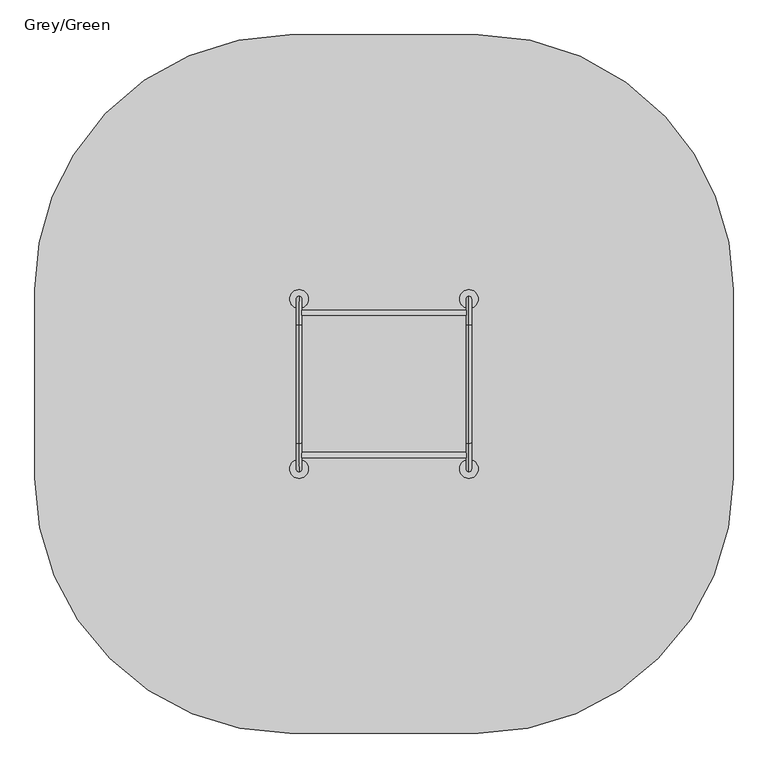
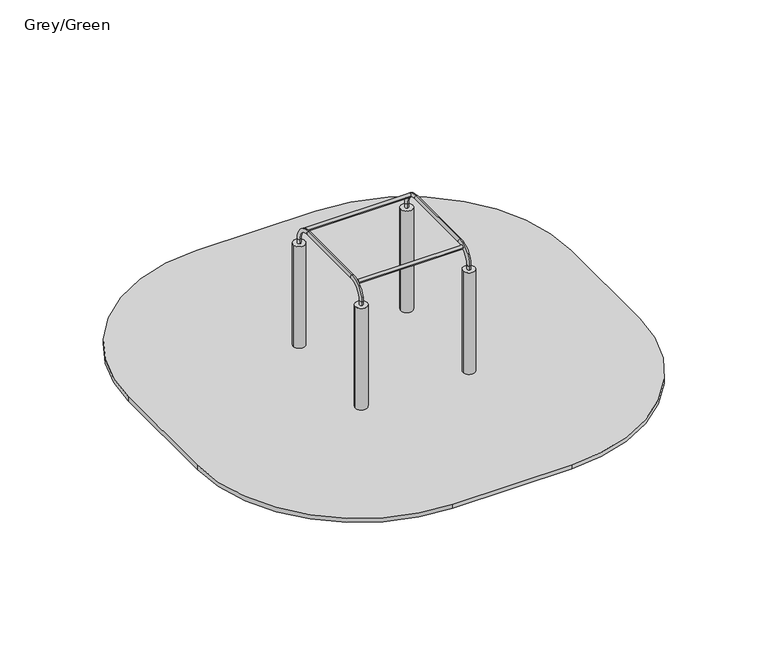
"""IFC4 building model written with IfcOpenShell, lengths in millimetres: furniture geometry, Grey/Green."""

from ifc_helpers import new_model, si_unit, point, frame, frame_2d, origin, place, context, project, spatial, polyline, circle_curve, ellipse_curve, trimmed, segment, composite_curve, outline, extrude, source, transform, mapped, element, save
from ifc_brep_helpers import plane_surface, cylinder_surface, revolved_surface, extruded_surface, advanced_brep


def grey_green_c5ca14d6(model_context):
    return source(origin(), model_context, "Body", "SolidModel", [
        advanced_brep(
        [(-427.5, 1072.4599432, -224.0), (-440.0, 1072.4599432, -224.0), (-452.5, 1072.4599432, -224.0), (-512.5, 1012.4599432, -224.0), (-512.5, 987.4599432, -224.0), (-452.5, 927.4599432, -224.0), (-427.5, 927.4599432, -224.0), (-367.5, 987.4599432, -224.0), (-367.5, 1012.4599432, -224.0), (-350.0, 1150.0, -459.0), (-440.0, 1150.0, -459.0), (-530.0, 1150.0, -459.0), (-590.0, 1090.0, -459.0), (-590.0, 910.0, -459.0), (-530.0, 850.0, -459.0), (-350.0, 850.0, -459.0), (-290.0, 910.0, -459.0), (-290.0, 1090.0, -459.0), (-350.0, 1150.0, -599.0), (-290.0, 1090.0, -599.0), (-290.0, 910.0, -599.0), (-350.0, 850.0, -599.0), (-530.0, 850.0, -599.0), (-590.0, 910.0, -599.0), (-590.0, 1090.0, -599.0), (-530.0, 1150.0, -599.0), (-440.0, 1150.0, -599.0)],
        [
            (0, 1),
            (1, 2),
            (2, 3, circle_curve(frame((-452.5, 1012.4599432, -224.0), z_axis=(0.0, 0.0, 1.0), x_axis=(1.0, 0.0, 0.0)), 60.0)),
            (3, 4),
            (4, 5, circle_curve(frame((-452.5, 987.4599432, -224.0), z_axis=(0.0, 0.0, 1.0), x_axis=(1.0, 0.0, 0.0)), 60.0)),
            (5, 6),
            (6, 7, circle_curve(frame((-427.5, 987.4599432, -224.0), z_axis=(0.0, 0.0, 1.0), x_axis=(1.0, 0.0, 0.0)), 60.0)),
            (7, 8),
            (8, 0, circle_curve(frame((-427.5, 1012.4599432, -224.0), z_axis=(0.0, 0.0, 1.0), x_axis=(1.0, 0.0, 0.0)), 60.0)),
            (0, 9),
            (9, 10),
            (10, 1),
            (10, 11),
            (11, 2),
            (11, 12, circle_curve(frame((-530.0, 1090.0, -459.0), z_axis=(0.0, 0.0, 1.0), x_axis=(1.0, 0.0, 0.0)), 60.0)),
            (12, 3),
            (12, 13),
            (13, 4),
            (13, 14, circle_curve(frame((-530.0, 910.0, -459.0), z_axis=(0.0, 0.0, 1.0), x_axis=(1.0, 0.0, 0.0)), 60.0)),
            (14, 5),
            (14, 15),
            (15, 6),
            (15, 16, circle_curve(frame((-350.0, 910.0, -459.0), z_axis=(0.0, 0.0, 1.0), x_axis=(1.0, 0.0, 0.0)), 60.0)),
            (16, 7),
            (16, 17),
            (17, 8),
            (17, 9, circle_curve(frame((-350.0, 1090.0, -459.0), z_axis=(0.0, 0.0, 1.0), x_axis=(1.0, 0.0, 0.0)), 60.0)),
            (18, 19, circle_curve(frame((-350.0, 1090.0, -599.0), z_axis=(0.0, 0.0, -1.0), x_axis=(1.0, 0.0, 0.0)), 60.0)),
            (19, 20),
            (20, 21, circle_curve(frame((-350.0, 910.0, -599.0), z_axis=(0.0, 0.0, -1.0), x_axis=(1.0, 0.0, 0.0)), 60.0)),
            (21, 22),
            (22, 23, circle_curve(frame((-530.0, 910.0, -599.0), z_axis=(0.0, 0.0, -1.0), x_axis=(1.0, 0.0, 0.0)), 60.0)),
            (23, 24),
            (24, 25, circle_curve(frame((-530.0, 1090.0, -599.0), z_axis=(0.0, 0.0, -1.0), x_axis=(1.0, 0.0, 0.0)), 60.0)),
            (25, 26),
            (26, 18),
            (26, 10),
            (9, 18),
            (25, 11),
            (23, 13),
            (12, 24),
            (21, 15),
            (14, 22),
            (19, 17),
            (16, 20),
        ],
        [
            plane_surface(frame((-440.0, 1008.0154988, -224.0), z_axis=(0.0, 0.0, 1.0), x_axis=(-1.0, 0.0, 0.0))),
            plane_surface(frame((-433.75, 1072.4599432, -224.0), z_axis=(0.0, 0.9496406059136844, 0.3133412191204512), x_axis=(1.0, 0.0, 0.0))),
            plane_surface(frame((-446.25, 1072.4599432, -224.0), z_axis=(0.0, 0.9496406059136843, 0.3133412191204512), x_axis=(1.0, 0.0, 0.0))),
            extruded_surface(trimmed(circle_curve(frame((-452.5, 1012.4599432, -224.0), z_axis=(0.0, 0.0, -1.0), x_axis=(1.0, 0.0, 0.0)), 60.0), [point((-512.5, 1012.4599432, -224.0))], [point((-452.5, 1072.4599432, -224.0))], True, "CARTESIAN"), (-77.5, 77.5400568, -235.0), 259.3139225119763),
            plane_surface(frame((-512.5, 999.9599432, -224.0), z_axis=(-0.9496887635303409, 0.0, 0.31319523052596476), x_axis=(0.0, 1.0, 0.0))),
            extruded_surface(trimmed(circle_curve(frame((-452.5, 987.4599432, -224.0), z_axis=(0.0, 0.0, -1.0), x_axis=(1.0, 0.0, 0.0)), 60.0), [point((-452.5, 927.4599432, -224.0))], [point((-512.5, 987.4599432, -224.0))], True, "CARTESIAN"), (-77.5, -77.4599432, -235.0), 259.2899782107809),
            plane_surface(frame((-440.0, 927.4599432, -224.0), z_axis=(0.0, -0.9497369035840961, 0.3130492197250991), x_axis=(-1.0, 0.0, 0.0))),
            extruded_surface(trimmed(circle_curve(frame((-427.5, 987.4599432, -224.0), z_axis=(0.0, 0.0, -1.0), x_axis=(1.0, 0.0, 0.0)), 60.0), [point((-367.5, 987.4599432, -224.0))], [point((-427.5, 927.4599432, -224.0))], True, "CARTESIAN"), (77.5, -77.4599432, -235.0), 259.2899782107809),
            plane_surface(frame((-367.5, 999.9599432, -224.0), z_axis=(0.9496887635303416, 0.0, 0.3131952305259627), x_axis=(0.0, -1.0, 0.0))),
            extruded_surface(trimmed(circle_curve(frame((-427.5, 1012.4599432, -224.0), z_axis=(0.0, 0.0, -1.0), x_axis=(1.0, 0.0, 0.0)), 60.0), [point((-427.5, 1072.4599432, -224.0))], [point((-367.5, 1012.4599432, -224.0))], True, "CARTESIAN"), (77.5, 77.5400568, -235.0), 259.3139225119763),
            plane_surface(frame((-440.0, 1150.0, -599.0), z_axis=(0.0, 0.0, -1.0), x_axis=(1.0, 0.0, 0.0))),
            plane_surface(frame((-350.0, 1150.0, -459.0), z_axis=(0.0, 1.0, 0.0), x_axis=(0.0, 0.0, -1.0))),
            plane_surface(frame((-440.0, 1150.0, -459.0), z_axis=(0.0, 1.0, 0.0), x_axis=(0.0, 0.0, -1.0))),
            plane_surface(frame((-590.0, 1090.0, -459.0), z_axis=(-1.0, 0.0, 0.0), x_axis=(0.0, 0.0, -1.0))),
            plane_surface(frame((-530.0, 850.0, -459.0), z_axis=(0.0, -1.0, 0.0), x_axis=(0.0, 0.0, -1.0))),
            plane_surface(frame((-290.0, 910.0, -459.0), z_axis=(1.0, 0.0, 0.0), x_axis=(0.0, 0.0, -1.0))),
            cylinder_surface(frame((-530.0, 1090.0, -599.0), z_axis=(0.0, 0.0, 1.0), x_axis=(1.0, 0.0, 0.0)), 60.0),
            cylinder_surface(frame((-530.0, 910.0, -599.0), z_axis=(0.0, 0.0, 1.0), x_axis=(1.0, 0.0, 0.0)), 60.0),
            cylinder_surface(frame((-350.0, 910.0, -599.0), z_axis=(0.0, 0.0, 1.0), x_axis=(1.0, 0.0, 0.0)), 60.0),
            cylinder_surface(frame((-350.0, 1090.0, -599.0), z_axis=(0.0, 0.0, 1.0), x_axis=(1.0, 0.0, 0.0)), 60.0),
        ],
        [
            (0, [[1, 2, 3, 4, 5, 6, 7, 8, 9]]),
            (1, [[-1, 10, 11, 12]]),
            (2, [[-2, -12, 13, 14]]),
            (3, [[-3, -14, 15, 16]]),
            (4, [[-4, -16, 17, 18]]),
            (5, [[-5, -18, 19, 20]]),
            (6, [[-6, -20, 21, 22]]),
            (7, [[-7, -22, 23, 24]]),
            (8, [[-8, -24, 25, 26]]),
            (9, [[-9, -26, 27, -10]]),
            (10, [[28, 29, 30, 31, 32, 33, 34, 35, 36]]),
            (11, [[-36, 37, -11, 38]]),
            (12, [[-35, 39, -13, -37]]),
            (13, [[-33, 40, -17, 41]]),
            (14, [[-31, 42, -21, 43]]),
            (15, [[-29, 44, -25, 45]]),
            (16, [[-34, -41, -15, -39]]),
            (17, [[-32, -43, -19, -40]]),
            (18, [[-30, -45, -23, -42]]),
            (19, [[-28, -38, -27, -44]]),
        ],
    ),
        extrude(outline(composite_curve([segment(trimmed(circle_curve(frame_2d((-440.0, 1000.0)), 55.0), [point((-495.0, 1000.0))], [point((-385.0, 1000.0))], False, "CARTESIAN"), True, "CONTINUOUS"), segment(trimmed(circle_curve(frame_2d((-440.0, 1000.0)), 55.0), [point((-385.0, 1000.0))], [point((-495.0, 1000.0))], False, "CARTESIAN"), True, "CONTINUOUS")], self_intersect=False)), frame((0.0, 0.0, -599.0), z_axis=(0.0, 0.0, 1.0), x_axis=(1.0, 0.0, 0.0)), (0.0, 0.0, 1.0), 500.0),
        advanced_brep(
        [(572.5, 1072.4599432, -224.0), (560.0, 1072.4599432, -224.0), (547.5, 1072.4599432, -224.0), (487.5, 1012.4599432, -224.0), (487.5, 987.4599432, -224.0), (547.5, 927.4599432, -224.0), (572.5, 927.4599432, -224.0), (632.5, 987.4599432, -224.0), (632.5, 1012.4599432, -224.0), (650.0, 1150.0, -459.0), (560.0, 1150.0, -459.0), (470.0, 1150.0, -459.0), (410.0, 1090.0, -459.0), (410.0, 910.0, -459.0), (470.0, 850.0, -459.0), (650.0, 850.0, -459.0), (710.0, 910.0, -459.0), (710.0, 1090.0, -459.0), (650.0, 1150.0, -599.0), (710.0, 1090.0, -599.0), (710.0, 910.0, -599.0), (650.0, 850.0, -599.0), (470.0, 850.0, -599.0), (410.0, 910.0, -599.0), (410.0, 1090.0, -599.0), (470.0, 1150.0, -599.0), (560.0, 1150.0, -599.0)],
        [
            (0, 1),
            (1, 2),
            (2, 3, circle_curve(frame((547.5, 1012.4599432, -224.0), z_axis=(0.0, 0.0, 1.0), x_axis=(1.0, 0.0, 0.0)), 60.0)),
            (3, 4),
            (4, 5, circle_curve(frame((547.5, 987.4599432, -224.0), z_axis=(0.0, 0.0, 1.0), x_axis=(1.0, 0.0, 0.0)), 60.0)),
            (5, 6),
            (6, 7, circle_curve(frame((572.5, 987.4599432, -224.0), z_axis=(0.0, 0.0, 1.0), x_axis=(1.0, 0.0, 0.0)), 60.0)),
            (7, 8),
            (8, 0, circle_curve(frame((572.5, 1012.4599432, -224.0), z_axis=(0.0, 0.0, 1.0), x_axis=(1.0, 0.0, 0.0)), 60.0)),
            (0, 9),
            (9, 10),
            (10, 1),
            (10, 11),
            (11, 2),
            (11, 12, circle_curve(frame((470.0, 1090.0, -459.0), z_axis=(0.0, 0.0, 1.0), x_axis=(1.0, 0.0, 0.0)), 60.0)),
            (12, 3),
            (12, 13),
            (13, 4),
            (13, 14, circle_curve(frame((470.0, 910.0, -459.0), z_axis=(0.0, 0.0, 1.0), x_axis=(1.0, 0.0, 0.0)), 60.0)),
            (14, 5),
            (14, 15),
            (15, 6),
            (15, 16, circle_curve(frame((650.0, 910.0, -459.0), z_axis=(0.0, 0.0, 1.0), x_axis=(1.0, 0.0, 0.0)), 60.0)),
            (16, 7),
            (16, 17),
            (17, 8),
            (17, 9, circle_curve(frame((650.0, 1090.0, -459.0), z_axis=(0.0, 0.0, 1.0), x_axis=(1.0, 0.0, 0.0)), 60.0)),
            (18, 19, circle_curve(frame((650.0, 1090.0, -599.0), z_axis=(0.0, 0.0, -1.0), x_axis=(1.0, 0.0, 0.0)), 60.0)),
            (19, 20),
            (20, 21, circle_curve(frame((650.0, 910.0, -599.0), z_axis=(0.0, 0.0, -1.0), x_axis=(1.0, 0.0, 0.0)), 60.0)),
            (21, 22),
            (22, 23, circle_curve(frame((470.0, 910.0, -599.0), z_axis=(0.0, 0.0, -1.0), x_axis=(1.0, 0.0, 0.0)), 60.0)),
            (23, 24),
            (24, 25, circle_curve(frame((470.0, 1090.0, -599.0), z_axis=(0.0, 0.0, -1.0), x_axis=(1.0, 0.0, 0.0)), 60.0)),
            (25, 26),
            (26, 18),
            (26, 10),
            (9, 18),
            (25, 11),
            (23, 13),
            (12, 24),
            (21, 15),
            (14, 22),
            (19, 17),
            (16, 20),
        ],
        [
            plane_surface(frame((560.0, 1008.0154988, -224.0), z_axis=(0.0, 0.0, 1.0), x_axis=(-1.0, 0.0, 0.0))),
            plane_surface(frame((566.25, 1072.4599432, -224.0), z_axis=(0.0, 0.9496406059136844, 0.3133412191204512), x_axis=(1.0, 0.0, 0.0))),
            plane_surface(frame((553.75, 1072.4599432, -224.0), z_axis=(0.0, 0.9496406059136843, 0.3133412191204512), x_axis=(1.0, 0.0, 0.0))),
            extruded_surface(trimmed(circle_curve(frame((547.5, 1012.4599432, -224.0), z_axis=(0.0, 0.0, -1.0), x_axis=(1.0, 0.0, 0.0)), 60.0), [point((487.5, 1012.4599432, -224.0))], [point((547.5, 1072.4599432, -224.0))], True, "CARTESIAN"), (-77.5, 77.5400568, -235.0), 259.3139225119763),
            plane_surface(frame((487.5, 999.9599432, -224.0), z_axis=(-0.9496887635303409, 0.0, 0.31319523052596476), x_axis=(0.0, 1.0, 0.0))),
            extruded_surface(trimmed(circle_curve(frame((547.5, 987.4599432, -224.0), z_axis=(0.0, 0.0, -1.0), x_axis=(1.0, 0.0, 0.0)), 60.0), [point((547.5, 927.4599432, -224.0))], [point((487.5, 987.4599432, -224.0))], True, "CARTESIAN"), (-77.5, -77.4599432, -235.0), 259.2899782107809),
            plane_surface(frame((560.0, 927.4599432, -224.0), z_axis=(0.0, -0.9497369035840961, 0.3130492197250991), x_axis=(-1.0, 0.0, 0.0))),
            extruded_surface(trimmed(circle_curve(frame((572.5, 987.4599432, -224.0), z_axis=(0.0, 0.0, -1.0), x_axis=(1.0, 0.0, 0.0)), 60.0), [point((632.5, 987.4599432, -224.0))], [point((572.5, 927.4599432, -224.0))], True, "CARTESIAN"), (77.5, -77.4599432, -235.0), 259.2899782107809),
            plane_surface(frame((632.5, 999.9599432, -224.0), z_axis=(0.9496887635303416, 0.0, 0.3131952305259627), x_axis=(0.0, -1.0, 0.0))),
            extruded_surface(trimmed(circle_curve(frame((572.5, 1012.4599432, -224.0), z_axis=(0.0, 0.0, -1.0), x_axis=(1.0, 0.0, 0.0)), 60.0), [point((572.5, 1072.4599432, -224.0))], [point((632.5, 1012.4599432, -224.0))], True, "CARTESIAN"), (77.5, 77.5400568, -235.0), 259.3139225119763),
            plane_surface(frame((560.0, 1150.0, -599.0), z_axis=(0.0, 0.0, -1.0), x_axis=(1.0, 0.0, 0.0))),
            plane_surface(frame((650.0, 1150.0, -459.0), z_axis=(0.0, 1.0, 0.0), x_axis=(0.0, 0.0, -1.0))),
            plane_surface(frame((560.0, 1150.0, -459.0), z_axis=(0.0, 1.0, 0.0), x_axis=(0.0, 0.0, -1.0))),
            plane_surface(frame((410.0, 1090.0, -459.0), z_axis=(-1.0, 0.0, 0.0), x_axis=(0.0, 0.0, -1.0))),
            plane_surface(frame((470.0, 850.0, -459.0), z_axis=(0.0, -1.0, 0.0), x_axis=(0.0, 0.0, -1.0))),
            plane_surface(frame((710.0, 910.0, -459.0), z_axis=(1.0, 0.0, 0.0), x_axis=(0.0, 0.0, -1.0))),
            cylinder_surface(frame((470.0, 1090.0, -599.0), z_axis=(0.0, 0.0, 1.0), x_axis=(1.0, 0.0, 0.0)), 60.0),
            cylinder_surface(frame((470.0, 910.0, -599.0), z_axis=(0.0, 0.0, 1.0), x_axis=(1.0, 0.0, 0.0)), 60.0),
            cylinder_surface(frame((650.0, 910.0, -599.0), z_axis=(0.0, 0.0, 1.0), x_axis=(1.0, 0.0, 0.0)), 60.0),
            cylinder_surface(frame((650.0, 1090.0, -599.0), z_axis=(0.0, 0.0, 1.0), x_axis=(1.0, 0.0, 0.0)), 60.0),
        ],
        [
            (0, [[1, 2, 3, 4, 5, 6, 7, 8, 9]]),
            (1, [[-1, 10, 11, 12]]),
            (2, [[-2, -12, 13, 14]]),
            (3, [[-3, -14, 15, 16]]),
            (4, [[-4, -16, 17, 18]]),
            (5, [[-5, -18, 19, 20]]),
            (6, [[-6, -20, 21, 22]]),
            (7, [[-7, -22, 23, 24]]),
            (8, [[-8, -24, 25, 26]]),
            (9, [[-9, -26, 27, -10]]),
            (10, [[28, 29, 30, 31, 32, 33, 34, 35, 36]]),
            (11, [[-36, 37, -11, 38]]),
            (12, [[-35, 39, -13, -37]]),
            (13, [[-33, 40, -17, 41]]),
            (14, [[-31, 42, -21, 43]]),
            (15, [[-29, 44, -25, 45]]),
            (16, [[-34, -41, -15, -39]]),
            (17, [[-32, -43, -19, -40]]),
            (18, [[-30, -45, -23, -42]]),
            (19, [[-28, -38, -27, -44]]),
        ],
    ),
        extrude(outline(composite_curve([segment(trimmed(circle_curve(frame_2d((560.0, 1000.0)), 55.0), [point((505.0, 1000.0))], [point((615.0, 1000.0))], False, "CARTESIAN"), True, "CONTINUOUS"), segment(trimmed(circle_curve(frame_2d((560.0, 1000.0)), 55.0), [point((615.0, 1000.0))], [point((505.0, 1000.0))], False, "CARTESIAN"), True, "CONTINUOUS")], self_intersect=False)), frame((0.0, 0.0, -599.0), z_axis=(0.0, 0.0, 1.0), x_axis=(1.0, 0.0, 0.0)), (0.0, 0.0, 1.0), 500.0),
        advanced_brep(
        [(-427.5, 72.4599432, -224.0), (-440.0, 72.4599432, -224.0), (-452.5, 72.4599432, -224.0), (-512.5, 12.4599432, -224.0), (-512.5, -12.5400568, -224.0), (-452.5, -72.5400568, -224.0), (-427.5, -72.5400568, -224.0), (-367.5, -12.5400568, -224.0), (-367.5, 12.4599432, -224.0), (-350.0, 150.0, -459.0), (-440.0, 150.0, -459.0), (-530.0, 150.0, -459.0), (-590.0, 90.0, -459.0), (-590.0, -90.0, -459.0), (-530.0, -150.0, -459.0), (-350.0, -150.0, -459.0), (-290.0, -90.0, -459.0), (-290.0, 90.0, -459.0), (-350.0, 150.0, -599.0), (-290.0, 90.0, -599.0), (-290.0, -90.0, -599.0), (-350.0, -150.0, -599.0), (-530.0, -150.0, -599.0), (-590.0, -90.0, -599.0), (-590.0, 90.0, -599.0), (-530.0, 150.0, -599.0), (-440.0, 150.0, -599.0)],
        [
            (0, 1),
            (1, 2),
            (2, 3, circle_curve(frame((-452.5, 12.4599432, -224.0), z_axis=(0.0, 0.0, 1.0), x_axis=(1.0, 0.0, 0.0)), 60.0)),
            (3, 4),
            (4, 5, circle_curve(frame((-452.5, -12.5400568, -224.0), z_axis=(0.0, 0.0, 1.0), x_axis=(1.0, 0.0, 0.0)), 60.0)),
            (5, 6),
            (6, 7, circle_curve(frame((-427.5, -12.5400568, -224.0), z_axis=(0.0, 0.0, 1.0), x_axis=(1.0, 0.0, 0.0)), 60.0)),
            (7, 8),
            (8, 0, circle_curve(frame((-427.5, 12.4599432, -224.0), z_axis=(0.0, 0.0, 1.0), x_axis=(1.0, 0.0, 0.0)), 60.0)),
            (0, 9),
            (9, 10),
            (10, 1),
            (10, 11),
            (11, 2),
            (11, 12, circle_curve(frame((-530.0, 90.0, -459.0), z_axis=(0.0, 0.0, 1.0), x_axis=(1.0, 0.0, 0.0)), 60.0)),
            (12, 3),
            (12, 13),
            (13, 4),
            (13, 14, circle_curve(frame((-530.0, -90.0, -459.0), z_axis=(0.0, 0.0, 1.0), x_axis=(1.0, 0.0, 0.0)), 60.0)),
            (14, 5),
            (14, 15),
            (15, 6),
            (15, 16, circle_curve(frame((-350.0, -90.0, -459.0), z_axis=(0.0, 0.0, 1.0), x_axis=(1.0, 0.0, 0.0)), 60.0)),
            (16, 7),
            (16, 17),
            (17, 8),
            (17, 9, circle_curve(frame((-350.0, 90.0, -459.0), z_axis=(0.0, 0.0, 1.0), x_axis=(1.0, 0.0, 0.0)), 60.0)),
            (18, 19, circle_curve(frame((-350.0, 90.0, -599.0), z_axis=(0.0, 0.0, -1.0), x_axis=(1.0, 0.0, 0.0)), 60.0)),
            (19, 20),
            (20, 21, circle_curve(frame((-350.0, -90.0, -599.0), z_axis=(0.0, 0.0, -1.0), x_axis=(1.0, 0.0, 0.0)), 60.0)),
            (21, 22),
            (22, 23, circle_curve(frame((-530.0, -90.0, -599.0), z_axis=(0.0, 0.0, -1.0), x_axis=(1.0, 0.0, 0.0)), 60.0)),
            (23, 24),
            (24, 25, circle_curve(frame((-530.0, 90.0, -599.0), z_axis=(0.0, 0.0, -1.0), x_axis=(1.0, 0.0, 0.0)), 60.0)),
            (25, 26),
            (26, 18),
            (26, 10),
            (9, 18),
            (25, 11),
            (23, 13),
            (12, 24),
            (21, 15),
            (14, 22),
            (19, 17),
            (16, 20),
        ],
        [
            plane_surface(frame((-440.0, 8.0154988, -224.0), z_axis=(0.0, 0.0, 1.0), x_axis=(-1.0, 0.0, 0.0))),
            plane_surface(frame((-433.75, 72.4599432, -224.0), z_axis=(0.0, 0.9496406059136844, 0.3133412191204512), x_axis=(1.0, 0.0, 0.0))),
            plane_surface(frame((-446.25, 72.4599432, -224.0), z_axis=(0.0, 0.9496406059136843, 0.3133412191204512), x_axis=(1.0, 0.0, 0.0))),
            extruded_surface(trimmed(circle_curve(frame((-452.5, 12.4599432, -224.0), z_axis=(0.0, 0.0, -1.0), x_axis=(1.0, 0.0, 0.0)), 60.0), [point((-512.5, 12.4599432, -224.0))], [point((-452.5, 72.4599432, -224.0))], True, "CARTESIAN"), (-77.5, 77.5400568, -235.0), 259.3139225119763),
            plane_surface(frame((-512.5, -0.0400568, -224.0), z_axis=(-0.9496887635303409, 0.0, 0.31319523052596476), x_axis=(0.0, 1.0, 0.0))),
            extruded_surface(trimmed(circle_curve(frame((-452.5, -12.5400568, -224.0), z_axis=(0.0, 0.0, -1.0), x_axis=(1.0, 0.0, 0.0)), 60.0), [point((-452.5, -72.5400568, -224.0))], [point((-512.5, -12.5400568, -224.0))], True, "CARTESIAN"), (-77.5, -77.4599432, -235.0), 259.2899782107809),
            plane_surface(frame((-440.0, -72.5400568, -224.0), z_axis=(0.0, -0.9497369035840961, 0.3130492197250991), x_axis=(-1.0, 0.0, 0.0))),
            extruded_surface(trimmed(circle_curve(frame((-427.5, -12.5400568, -224.0), z_axis=(0.0, 0.0, -1.0), x_axis=(1.0, 0.0, 0.0)), 60.0), [point((-367.5, -12.5400568, -224.0))], [point((-427.5, -72.5400568, -224.0))], True, "CARTESIAN"), (77.5, -77.4599432, -235.0), 259.2899782107809),
            plane_surface(frame((-367.5, -0.0400568, -224.0), z_axis=(0.9496887635303416, 0.0, 0.3131952305259627), x_axis=(0.0, -1.0, 0.0))),
            extruded_surface(trimmed(circle_curve(frame((-427.5, 12.4599432, -224.0), z_axis=(0.0, 0.0, -1.0), x_axis=(1.0, 0.0, 0.0)), 60.0), [point((-427.5, 72.4599432, -224.0))], [point((-367.5, 12.4599432, -224.0))], True, "CARTESIAN"), (77.5, 77.5400568, -235.0), 259.3139225119763),
            plane_surface(frame((-440.0, 150.0, -599.0), z_axis=(0.0, 0.0, -1.0), x_axis=(1.0, 0.0, 0.0))),
            plane_surface(frame((-350.0, 150.0, -459.0), z_axis=(0.0, 1.0, 0.0), x_axis=(0.0, 0.0, -1.0))),
            plane_surface(frame((-440.0, 150.0, -459.0), z_axis=(0.0, 1.0, 0.0), x_axis=(0.0, 0.0, -1.0))),
            plane_surface(frame((-590.0, 90.0, -459.0), z_axis=(-1.0, 0.0, 0.0), x_axis=(0.0, 0.0, -1.0))),
            plane_surface(frame((-530.0, -150.0, -459.0), z_axis=(0.0, -1.0, 0.0), x_axis=(0.0, 0.0, -1.0))),
            plane_surface(frame((-290.0, -90.0, -459.0), z_axis=(1.0, 0.0, 0.0), x_axis=(0.0, 0.0, -1.0))),
            cylinder_surface(frame((-530.0, 90.0, -599.0), z_axis=(0.0, 0.0, 1.0), x_axis=(1.0, 0.0, 0.0)), 60.0),
            cylinder_surface(frame((-530.0, -90.0, -599.0), z_axis=(0.0, 0.0, 1.0), x_axis=(1.0, 0.0, 0.0)), 60.0),
            cylinder_surface(frame((-350.0, -90.0, -599.0), z_axis=(0.0, 0.0, 1.0), x_axis=(1.0, 0.0, 0.0)), 60.0),
            cylinder_surface(frame((-350.0, 90.0, -599.0), z_axis=(0.0, 0.0, 1.0), x_axis=(1.0, 0.0, 0.0)), 60.0),
        ],
        [
            (0, [[1, 2, 3, 4, 5, 6, 7, 8, 9]]),
            (1, [[-1, 10, 11, 12]]),
            (2, [[-2, -12, 13, 14]]),
            (3, [[-3, -14, 15, 16]]),
            (4, [[-4, -16, 17, 18]]),
            (5, [[-5, -18, 19, 20]]),
            (6, [[-6, -20, 21, 22]]),
            (7, [[-7, -22, 23, 24]]),
            (8, [[-8, -24, 25, 26]]),
            (9, [[-9, -26, 27, -10]]),
            (10, [[28, 29, 30, 31, 32, 33, 34, 35, 36]]),
            (11, [[-36, 37, -11, 38]]),
            (12, [[-35, 39, -13, -37]]),
            (13, [[-33, 40, -17, 41]]),
            (14, [[-31, 42, -21, 43]]),
            (15, [[-29, 44, -25, 45]]),
            (16, [[-34, -41, -15, -39]]),
            (17, [[-32, -43, -19, -40]]),
            (18, [[-30, -45, -23, -42]]),
            (19, [[-28, -38, -27, -44]]),
        ],
    ),
        extrude(outline(composite_curve([segment(trimmed(circle_curve(frame_2d((-440.0, 0.0)), 55.0), [point((-495.0, 0.0))], [point((-385.0, 0.0))], False, "CARTESIAN"), True, "CONTINUOUS"), segment(trimmed(circle_curve(frame_2d((-440.0, 0.0)), 55.0), [point((-385.0, 0.0))], [point((-495.0, 0.0))], False, "CARTESIAN"), True, "CONTINUOUS")], self_intersect=False)), frame((0.0, 0.0, -599.0), z_axis=(0.0, 0.0, 1.0), x_axis=(1.0, 0.0, 0.0)), (0.0, 0.0, 1.0), 500.0),
        advanced_brep(
        [(572.5, 72.4599432, -224.0), (560.0, 72.4599432, -224.0), (547.5, 72.4599432, -224.0), (487.5, 12.4599432, -224.0), (487.5, -12.5400568, -224.0), (547.5, -72.5400568, -224.0), (572.5, -72.5400568, -224.0), (632.5, -12.5400568, -224.0), (632.5, 12.4599432, -224.0), (650.0, 150.0, -459.0), (560.0, 150.0, -459.0), (470.0, 150.0, -459.0), (410.0, 90.0, -459.0), (410.0, -90.0, -459.0), (470.0, -150.0, -459.0), (650.0, -150.0, -459.0), (710.0, -90.0, -459.0), (710.0, 90.0, -459.0), (650.0, 150.0, -599.0), (710.0, 90.0, -599.0), (710.0, -90.0, -599.0), (650.0, -150.0, -599.0), (470.0, -150.0, -599.0), (410.0, -90.0, -599.0), (410.0, 90.0, -599.0), (470.0, 150.0, -599.0), (560.0, 150.0, -599.0)],
        [
            (0, 1),
            (1, 2),
            (2, 3, circle_curve(frame((547.5, 12.4599432, -224.0), z_axis=(0.0, 0.0, 1.0), x_axis=(1.0, 0.0, 0.0)), 60.0)),
            (3, 4),
            (4, 5, circle_curve(frame((547.5, -12.5400568, -224.0), z_axis=(0.0, 0.0, 1.0), x_axis=(1.0, 0.0, 0.0)), 60.0)),
            (5, 6),
            (6, 7, circle_curve(frame((572.5, -12.5400568, -224.0), z_axis=(0.0, 0.0, 1.0), x_axis=(1.0, 0.0, 0.0)), 60.0)),
            (7, 8),
            (8, 0, circle_curve(frame((572.5, 12.4599432, -224.0), z_axis=(0.0, 0.0, 1.0), x_axis=(1.0, 0.0, 0.0)), 60.0)),
            (0, 9),
            (9, 10),
            (10, 1),
            (10, 11),
            (11, 2),
            (11, 12, circle_curve(frame((470.0, 90.0, -459.0), z_axis=(0.0, 0.0, 1.0), x_axis=(1.0, 0.0, 0.0)), 60.0)),
            (12, 3),
            (12, 13),
            (13, 4),
            (13, 14, circle_curve(frame((470.0, -90.0, -459.0), z_axis=(0.0, 0.0, 1.0), x_axis=(1.0, 0.0, 0.0)), 60.0)),
            (14, 5),
            (14, 15),
            (15, 6),
            (15, 16, circle_curve(frame((650.0, -90.0, -459.0), z_axis=(0.0, 0.0, 1.0), x_axis=(1.0, 0.0, 0.0)), 60.0)),
            (16, 7),
            (16, 17),
            (17, 8),
            (17, 9, circle_curve(frame((650.0, 90.0, -459.0), z_axis=(0.0, 0.0, 1.0), x_axis=(1.0, 0.0, 0.0)), 60.0)),
            (18, 19, circle_curve(frame((650.0, 90.0, -599.0), z_axis=(0.0, 0.0, -1.0), x_axis=(1.0, 0.0, 0.0)), 60.0)),
            (19, 20),
            (20, 21, circle_curve(frame((650.0, -90.0, -599.0), z_axis=(0.0, 0.0, -1.0), x_axis=(1.0, 0.0, 0.0)), 60.0)),
            (21, 22),
            (22, 23, circle_curve(frame((470.0, -90.0, -599.0), z_axis=(0.0, 0.0, -1.0), x_axis=(1.0, 0.0, 0.0)), 60.0)),
            (23, 24),
            (24, 25, circle_curve(frame((470.0, 90.0, -599.0), z_axis=(0.0, 0.0, -1.0), x_axis=(1.0, 0.0, 0.0)), 60.0)),
            (25, 26),
            (26, 18),
            (26, 10),
            (9, 18),
            (25, 11),
            (23, 13),
            (12, 24),
            (21, 15),
            (14, 22),
            (19, 17),
            (16, 20),
        ],
        [
            plane_surface(frame((560.0, 8.0154988, -224.0), z_axis=(0.0, 0.0, 1.0), x_axis=(-1.0, 0.0, 0.0))),
            plane_surface(frame((566.25, 72.4599432, -224.0), z_axis=(0.0, 0.9496406059136844, 0.3133412191204512), x_axis=(1.0, 0.0, 0.0))),
            plane_surface(frame((553.75, 72.4599432, -224.0), z_axis=(0.0, 0.9496406059136843, 0.3133412191204512), x_axis=(1.0, 0.0, 0.0))),
            extruded_surface(trimmed(circle_curve(frame((547.5, 12.4599432, -224.0), z_axis=(0.0, 0.0, -1.0), x_axis=(1.0, 0.0, 0.0)), 60.0), [point((487.5, 12.4599432, -224.0))], [point((547.5, 72.4599432, -224.0))], True, "CARTESIAN"), (-77.5, 77.5400568, -235.0), 259.3139225119763),
            plane_surface(frame((487.5, -0.0400568, -224.0), z_axis=(-0.9496887635303409, 0.0, 0.31319523052596476), x_axis=(0.0, 1.0, 0.0))),
            extruded_surface(trimmed(circle_curve(frame((547.5, -12.5400568, -224.0), z_axis=(0.0, 0.0, -1.0), x_axis=(1.0, 0.0, 0.0)), 60.0), [point((547.5, -72.5400568, -224.0))], [point((487.5, -12.5400568, -224.0))], True, "CARTESIAN"), (-77.5, -77.4599432, -235.0), 259.2899782107809),
            plane_surface(frame((560.0, -72.5400568, -224.0), z_axis=(0.0, -0.9497369035840961, 0.3130492197250991), x_axis=(-1.0, 0.0, 0.0))),
            extruded_surface(trimmed(circle_curve(frame((572.5, -12.5400568, -224.0), z_axis=(0.0, 0.0, -1.0), x_axis=(1.0, 0.0, 0.0)), 60.0), [point((632.5, -12.5400568, -224.0))], [point((572.5, -72.5400568, -224.0))], True, "CARTESIAN"), (77.5, -77.4599432, -235.0), 259.2899782107809),
            plane_surface(frame((632.5, -0.0400568, -224.0), z_axis=(0.9496887635303416, 0.0, 0.3131952305259627), x_axis=(0.0, -1.0, 0.0))),
            extruded_surface(trimmed(circle_curve(frame((572.5, 12.4599432, -224.0), z_axis=(0.0, 0.0, -1.0), x_axis=(1.0, 0.0, 0.0)), 60.0), [point((572.5, 72.4599432, -224.0))], [point((632.5, 12.4599432, -224.0))], True, "CARTESIAN"), (77.5, 77.5400568, -235.0), 259.3139225119763),
            plane_surface(frame((560.0, 150.0, -599.0), z_axis=(0.0, 0.0, -1.0), x_axis=(1.0, 0.0, 0.0))),
            plane_surface(frame((650.0, 150.0, -459.0), z_axis=(0.0, 1.0, 0.0), x_axis=(0.0, 0.0, -1.0))),
            plane_surface(frame((560.0, 150.0, -459.0), z_axis=(0.0, 1.0, 0.0), x_axis=(0.0, 0.0, -1.0))),
            plane_surface(frame((410.0, 90.0, -459.0), z_axis=(-1.0, 0.0, 0.0), x_axis=(0.0, 0.0, -1.0))),
            plane_surface(frame((470.0, -150.0, -459.0), z_axis=(0.0, -1.0, 0.0), x_axis=(0.0, 0.0, -1.0))),
            plane_surface(frame((710.0, -90.0, -459.0), z_axis=(1.0, 0.0, 0.0), x_axis=(0.0, 0.0, -1.0))),
            cylinder_surface(frame((470.0, 90.0, -599.0), z_axis=(0.0, 0.0, 1.0), x_axis=(1.0, 0.0, 0.0)), 60.0),
            cylinder_surface(frame((470.0, -90.0, -599.0), z_axis=(0.0, 0.0, 1.0), x_axis=(1.0, 0.0, 0.0)), 60.0),
            cylinder_surface(frame((650.0, -90.0, -599.0), z_axis=(0.0, 0.0, 1.0), x_axis=(1.0, 0.0, 0.0)), 60.0),
            cylinder_surface(frame((650.0, 90.0, -599.0), z_axis=(0.0, 0.0, 1.0), x_axis=(1.0, 0.0, 0.0)), 60.0),
        ],
        [
            (0, [[1, 2, 3, 4, 5, 6, 7, 8, 9]]),
            (1, [[-1, 10, 11, 12]]),
            (2, [[-2, -12, 13, 14]]),
            (3, [[-3, -14, 15, 16]]),
            (4, [[-4, -16, 17, 18]]),
            (5, [[-5, -18, 19, 20]]),
            (6, [[-6, -20, 21, 22]]),
            (7, [[-7, -22, 23, 24]]),
            (8, [[-8, -24, 25, 26]]),
            (9, [[-9, -26, 27, -10]]),
            (10, [[28, 29, 30, 31, 32, 33, 34, 35, 36]]),
            (11, [[-36, 37, -11, 38]]),
            (12, [[-35, 39, -13, -37]]),
            (13, [[-33, 40, -17, 41]]),
            (14, [[-31, 42, -21, 43]]),
            (15, [[-29, 44, -25, 45]]),
            (16, [[-34, -41, -15, -39]]),
            (17, [[-32, -43, -19, -40]]),
            (18, [[-30, -45, -23, -42]]),
            (19, [[-28, -38, -27, -44]]),
        ],
    ),
        extrude(outline(composite_curve([segment(trimmed(circle_curve(frame_2d((560.0, 0.0)), 55.0), [point((505.0, 0.0))], [point((615.0, 0.0))], False, "CARTESIAN"), True, "CONTINUOUS"), segment(trimmed(circle_curve(frame_2d((560.0, 0.0)), 55.0), [point((615.0, 0.0))], [point((505.0, 0.0))], False, "CARTESIAN"), True, "CONTINUOUS")], self_intersect=False)), frame((0.0, 0.0, -599.0), z_axis=(0.0, 0.0, 1.0), x_axis=(1.0, 0.0, 0.0)), (0.0, 0.0, 1.0), 500.0),
        extrude(outline(composite_curve([segment(trimmed(circle_curve(frame_2d((919.4884908, 1172.9403929)), 16.0), [point((903.4884908, 1172.9403929))], [point((935.4884908, 1172.9403929))], False, "CARTESIAN"), True, "CONTINUOUS"), segment(trimmed(circle_curve(frame_2d((919.4884908, 1172.9403929)), 16.0), [point((935.4884908, 1172.9403929))], [point((903.4884908, 1172.9403929))], False, "CARTESIAN"), True, "CONTINUOUS")], self_intersect=False)), frame((-423.9988702, 0.0, 0.0), z_axis=(1.0, 0.0, 0.0), x_axis=(0.0, 1.0, 0.0)), (0.0, 0.0, 1.0), 967.9976305),
        extrude(outline(composite_curve([segment(trimmed(circle_curve(frame_2d((81.0, 1172.9403929)), 16.0), [point((65.0, 1172.9403929))], [point((97.0, 1172.9403929))], False, "CARTESIAN"), True, "CONTINUOUS"), segment(trimmed(circle_curve(frame_2d((81.0, 1172.9403929)), 16.0), [point((97.0, 1172.9403929))], [point((65.0, 1172.9403929))], False, "CARTESIAN"), True, "CONTINUOUS")], self_intersect=False)), frame((-423.9988702, 0.0, 0.0), z_axis=(1.0, 0.0, 0.0), x_axis=(0.0, 1.0, 0.0)), (0.0, 0.0, 1.0), 967.9976305),
        advanced_brep(
        [(560.0, 1016.0, 1000.0), (560.0, 984.0, 1000.0), (560.0, 1016.0, 1040.0), (560.0, 984.0, 1040.0), (560.0, 850.0, 1174.0), (560.0, 850.0, 1206.0), (560.0, 150.0, 1206.0), (560.0, 150.0, 1174.0), (560.0, 16.0, 1040.0), (560.0, -16.0, 1040.0), (560.0, -16.0, 1000.0), (560.0, 16.0, 1000.0)],
        [
            (0, 1, circle_curve(frame((560.0, 1000.0, 1000.0), z_axis=(0.0, 0.0, -1.0), x_axis=(0.0, -1.0, 0.0)), 16.0)),
            (1, 0, circle_curve(frame((560.0, 1000.0, 1000.0), z_axis=(0.0, 0.0, -1.0), x_axis=(0.0, -1.0, 0.0)), 16.0)),
            (0, 2),
            (2, 3, circle_curve(frame((560.0, 1000.0, 1040.0), z_axis=(0.0, 0.0, -1.0), x_axis=(0.0, -1.0, 0.0)), 16.0)),
            (3, 1),
            (3, 2, circle_curve(frame((560.0, 1000.0, 1040.0), z_axis=(0.0, 0.0, -1.0), x_axis=(0.0, -1.0, 0.0)), 16.0)),
            (4, 3, circle_curve(frame((560.0, 850.0, 1040.0), z_axis=(-1.0, 0.0, 0.0), x_axis=(0.0, 1.0, 0.0)), 134.0)),
            (2, 5, circle_curve(frame((560.0, 850.0, 1040.0), z_axis=(1.0, 0.0, 0.0), x_axis=(0.0, 1.0, 0.0)), 166.0)),
            (5, 4, circle_curve(frame((560.0, 850.0, 1190.0), z_axis=(0.0, 1.0, 0.0), x_axis=(0.0, 0.0, -1.0)), 16.0)),
            (4, 5, circle_curve(frame((560.0, 850.0, 1190.0), z_axis=(0.0, 1.0, 0.0), x_axis=(0.0, 0.0, -1.0)), 16.0)),
            (5, 6),
            (6, 7, circle_curve(frame((560.0, 150.0, 1190.0), z_axis=(0.0, 1.0, 0.0), x_axis=(0.0, 0.0, -1.0)), 16.0)),
            (7, 4),
            (7, 6, circle_curve(frame((560.0, 150.0, 1190.0), z_axis=(0.0, 1.0, 0.0), x_axis=(0.0, 0.0, -1.0)), 16.0)),
            (8, 7, circle_curve(frame((560.0, 150.0, 1040.0), z_axis=(-1.0, 0.0, 0.0), x_axis=(0.0, 0.0, 1.0)), 134.0)),
            (6, 9, circle_curve(frame((560.0, 150.0, 1040.0), z_axis=(1.0, 0.0, 0.0), x_axis=(0.0, 0.0, 1.0)), 166.0)),
            (9, 8, circle_curve(frame((560.0, 0.0, 1040.0), z_axis=(0.0, 0.0, 1.0), x_axis=(0.0, 1.0, 0.0)), 16.0)),
            (8, 9, circle_curve(frame((560.0, 0.0, 1040.0), z_axis=(0.0, 0.0, 1.0), x_axis=(0.0, 1.0, 0.0)), 16.0)),
            (10, 11, circle_curve(frame((560.0, 0.0, 1000.0), z_axis=(0.0, 0.0, -1.0), x_axis=(0.0, 1.0, 0.0)), 16.0)),
            (11, 10, circle_curve(frame((560.0, 0.0, 1000.0), z_axis=(0.0, 0.0, -1.0), x_axis=(0.0, 1.0, 0.0)), 16.0)),
            (9, 10),
            (11, 8),
        ],
        [
            plane_surface(frame((560.0, 1000.0, 1000.0), z_axis=(0.0, 0.0, -1.0), x_axis=(1.0, 0.0, 0.0))),
            cylinder_surface(frame((560.0, 1000.0, 1000.0), z_axis=(0.0, 0.0, -1.0), x_axis=(0.0, -1.0, 0.0)), 16.0),
            revolved_surface(trimmed(ellipse_curve(frame((560.0, 1000.0, 1040.0), z_axis=(0.0, 0.0, -1.0), x_axis=(0.0, -1.0, 0.0)), 16.0, 16.0), [point((560.0, 1016.0, 1040.0))], [point((560.0, 984.0, 1040.0))], True, "CARTESIAN"), (560.0, 850.0, 1040.0), (1.0, 0.0, 0.0)),
            revolved_surface(trimmed(ellipse_curve(frame((560.0, 1000.0, 1040.0), z_axis=(0.0, 0.0, -1.0), x_axis=(0.0, -1.0, 0.0)), 16.0, 16.0), [point((560.0, 984.0, 1040.0))], [point((560.0, 1016.0, 1040.0))], True, "CARTESIAN"), (560.0, 850.0, 1040.0), (1.0, 0.0, 0.0)),
            cylinder_surface(frame((560.0, 850.0, 1190.0), z_axis=(0.0, 1.0, 0.0), x_axis=(0.0, 0.0, -1.0)), 16.0),
            revolved_surface(trimmed(ellipse_curve(frame((560.0, 150.0, 1190.0), z_axis=(0.0, 1.0, 0.0), x_axis=(0.0, 0.0, -1.0)), 16.0, 16.0), [point((560.0, 150.0, 1206.0))], [point((560.0, 150.0, 1174.0))], True, "CARTESIAN"), (560.0, 150.0, 1040.0), (1.0, 0.0, 0.0)),
            revolved_surface(trimmed(ellipse_curve(frame((560.0, 150.0, 1190.0), z_axis=(0.0, 1.0, 0.0), x_axis=(0.0, 0.0, -1.0)), 16.0, 16.0), [point((560.0, 150.0, 1174.0))], [point((560.0, 150.0, 1206.0))], True, "CARTESIAN"), (560.0, 150.0, 1040.0), (1.0, 0.0, 0.0)),
            plane_surface(frame((560.0, 0.0, 1000.0), z_axis=(0.0, 0.0, -1.0), x_axis=(1.0, 0.0, 0.0))),
            cylinder_surface(frame((560.0, 0.0, 1040.0), z_axis=(0.0, 0.0, 1.0), x_axis=(0.0, 1.0, 0.0)), 16.0),
        ],
        [
            (0, [[1, 2]]),
            (1, [[-1, 3, 4, 5]]),
            (1, [[-2, -5, 6, -3]]),
            (2, [[7, -4, 8, 9]]),
            (3, [[-8, -6, -7, 10]]),
            (4, [[-9, 11, 12, 13]]),
            (4, [[-10, -13, 14, -11]]),
            (5, [[15, -12, 16, 17]]),
            (6, [[-16, -14, -15, 18]]),
            (7, [[19, 20]]),
            (8, [[-17, 21, -20, 22]]),
            (8, [[-18, -22, -19, -21]]),
        ],
    ),
        advanced_brep(
        [(-440.0, 1016.0, 1000.0), (-440.0, 984.0, 1000.0), (-440.0, 1016.0, 1040.0), (-440.0, 984.0, 1040.0), (-440.0, 850.0, 1174.0), (-440.0, 850.0, 1206.0), (-440.0, 150.0, 1206.0), (-440.0, 150.0, 1174.0), (-440.0, 16.0, 1040.0), (-440.0, -16.0, 1040.0), (-440.0, -16.0, 1000.0), (-440.0, 16.0, 1000.0)],
        [
            (0, 1, circle_curve(frame((-440.0, 1000.0, 1000.0), z_axis=(0.0, 0.0, -1.0), x_axis=(0.0, -1.0, 0.0)), 16.0)),
            (1, 0, circle_curve(frame((-440.0, 1000.0, 1000.0), z_axis=(0.0, 0.0, -1.0), x_axis=(0.0, -1.0, 0.0)), 16.0)),
            (0, 2),
            (2, 3, circle_curve(frame((-440.0, 1000.0, 1040.0), z_axis=(0.0, 0.0, -1.0), x_axis=(0.0, -1.0, 0.0)), 16.0)),
            (3, 1),
            (3, 2, circle_curve(frame((-440.0, 1000.0, 1040.0), z_axis=(0.0, 0.0, -1.0), x_axis=(0.0, -1.0, 0.0)), 16.0)),
            (4, 3, circle_curve(frame((-440.0, 850.0, 1040.0), z_axis=(-1.0, 0.0, 0.0), x_axis=(0.0, 1.0, 0.0)), 134.0)),
            (2, 5, circle_curve(frame((-440.0, 850.0, 1040.0), z_axis=(1.0, 0.0, 0.0), x_axis=(0.0, 1.0, 0.0)), 166.0)),
            (5, 4, circle_curve(frame((-440.0, 850.0, 1190.0), z_axis=(0.0, 1.0, 0.0), x_axis=(0.0, 0.0, -1.0)), 16.0)),
            (4, 5, circle_curve(frame((-440.0, 850.0, 1190.0), z_axis=(0.0, 1.0, 0.0), x_axis=(0.0, 0.0, -1.0)), 16.0)),
            (5, 6),
            (6, 7, circle_curve(frame((-440.0, 150.0, 1190.0), z_axis=(0.0, 1.0, 0.0), x_axis=(0.0, 0.0, -1.0)), 16.0)),
            (7, 4),
            (7, 6, circle_curve(frame((-440.0, 150.0, 1190.0), z_axis=(0.0, 1.0, 0.0), x_axis=(0.0, 0.0, -1.0)), 16.0)),
            (8, 7, circle_curve(frame((-440.0, 150.0, 1040.0), z_axis=(-1.0, 0.0, 0.0), x_axis=(0.0, 0.0, 1.0)), 134.0)),
            (6, 9, circle_curve(frame((-440.0, 150.0, 1040.0), z_axis=(1.0, 0.0, 0.0), x_axis=(0.0, 0.0, 1.0)), 166.0)),
            (9, 8, circle_curve(frame((-440.0, 0.0, 1040.0), z_axis=(0.0, 0.0, 1.0), x_axis=(0.0, 1.0, 0.0)), 16.0)),
            (8, 9, circle_curve(frame((-440.0, 0.0, 1040.0), z_axis=(0.0, 0.0, 1.0), x_axis=(0.0, 1.0, 0.0)), 16.0)),
            (10, 11, circle_curve(frame((-440.0, 0.0, 1000.0), z_axis=(0.0, 0.0, -1.0), x_axis=(0.0, 1.0, 0.0)), 16.0)),
            (11, 10, circle_curve(frame((-440.0, 0.0, 1000.0), z_axis=(0.0, 0.0, -1.0), x_axis=(0.0, 1.0, 0.0)), 16.0)),
            (9, 10),
            (11, 8),
        ],
        [
            plane_surface(frame((-440.0, 1000.0, 1000.0), z_axis=(0.0, 0.0, -1.0), x_axis=(1.0, 0.0, 0.0))),
            cylinder_surface(frame((-440.0, 1000.0, 1000.0), z_axis=(0.0, 0.0, -1.0), x_axis=(0.0, -1.0, 0.0)), 16.0),
            revolved_surface(trimmed(ellipse_curve(frame((-440.0, 1000.0, 1040.0), z_axis=(0.0, 0.0, -1.0), x_axis=(0.0, -1.0, 0.0)), 16.0, 16.0), [point((-440.0, 1016.0, 1040.0))], [point((-440.0, 984.0, 1040.0))], True, "CARTESIAN"), (-440.0, 850.0, 1040.0), (1.0, 0.0, 0.0)),
            revolved_surface(trimmed(ellipse_curve(frame((-440.0, 1000.0, 1040.0), z_axis=(0.0, 0.0, -1.0), x_axis=(0.0, -1.0, 0.0)), 16.0, 16.0), [point((-440.0, 984.0, 1040.0))], [point((-440.0, 1016.0, 1040.0))], True, "CARTESIAN"), (-440.0, 850.0, 1040.0), (1.0, 0.0, 0.0)),
            cylinder_surface(frame((-440.0, 850.0, 1190.0), z_axis=(0.0, 1.0, 0.0), x_axis=(0.0, 0.0, -1.0)), 16.0),
            revolved_surface(trimmed(ellipse_curve(frame((-440.0, 150.0, 1190.0), z_axis=(0.0, 1.0, 0.0), x_axis=(0.0, 0.0, -1.0)), 16.0, 16.0), [point((-440.0, 150.0, 1206.0))], [point((-440.0, 150.0, 1174.0))], True, "CARTESIAN"), (-440.0, 150.0, 1040.0), (1.0, 0.0, 0.0)),
            revolved_surface(trimmed(ellipse_curve(frame((-440.0, 150.0, 1190.0), z_axis=(0.0, 1.0, 0.0), x_axis=(0.0, 0.0, -1.0)), 16.0, 16.0), [point((-440.0, 150.0, 1174.0))], [point((-440.0, 150.0, 1206.0))], True, "CARTESIAN"), (-440.0, 150.0, 1040.0), (1.0, 0.0, 0.0)),
            plane_surface(frame((-440.0, 0.0, 1000.0), z_axis=(0.0, 0.0, -1.0), x_axis=(1.0, 0.0, 0.0))),
            cylinder_surface(frame((-440.0, 0.0, 1040.0), z_axis=(0.0, 0.0, 1.0), x_axis=(0.0, 1.0, 0.0)), 16.0),
        ],
        [
            (0, [[1, 2]]),
            (1, [[-1, 3, 4, 5]]),
            (1, [[-2, -5, 6, -3]]),
            (2, [[7, -4, 8, 9]]),
            (3, [[-8, -6, -7, 10]]),
            (4, [[-9, 11, 12, 13]]),
            (4, [[-10, -13, 14, -11]]),
            (5, [[15, -12, 16, 17]]),
            (6, [[-16, -14, -15, 18]]),
            (7, [[19, 20]]),
            (8, [[-17, 21, -20, 22]]),
            (8, [[-18, -22, -19, -21]]),
        ],
    ),
        extrude(outline(composite_curve([segment(trimmed(circle_curve(frame_2d((615.0, 1055.0)), 1500.0), [point((615.0, 2555.0))], [point((1715.2325264, 2074.5530333))], False, "CARTESIAN"), True, "CONTINUOUS"), segment(trimmed(circle_curve(frame_2d((615.0, 1055.0)), 1500.0), [point((1715.2325264, 2074.5530333))], [point((2115.0, 1055.0))], False, "CARTESIAN"), True, "CONTINUOUS"), segment(polyline([(2115.0, 1055.0), (2115.0, -55.0)]), True, "CONTINUOUS"), segment(trimmed(circle_curve(frame_2d((615.0, -55.0)), 1500.0), [point((2115.0, -55.0))], [point((615.0, -1555.0))], False, "CARTESIAN"), True, "CONTINUOUS"), segment(polyline([(615.0, -1555.0), (-495.0, -1555.0)]), True, "CONTINUOUS"), segment(trimmed(circle_curve(frame_2d((-495.0, -55.0)), 1500.0), [point((-495.0, -1555.0))], [point((-1995.0, -55.0))], False, "CARTESIAN"), True, "CONTINUOUS"), segment(polyline([(-1995.0, -55.0), (-1995.0, 1055.0)]), True, "CONTINUOUS"), segment(trimmed(circle_curve(frame_2d((-495.0, 1055.0)), 1500.0), [point((-1995.0, 1055.0))], [point((-1766.397934, 1850.9568415))], False, "CARTESIAN"), True, "CONTINUOUS"), segment(trimmed(circle_curve(frame_2d((-495.0, 1055.0)), 1500.0), [point((-1766.397934, 1850.9568415))], [point((-495.0, 2555.0))], False, "CARTESIAN"), True, "CONTINUOUS"), segment(polyline([(-495.0, 2555.0), (615.0, 2555.0)]), True, "CONTINUOUS")], self_intersect=False)), frame((0.0, 0.0, -40.0), z_axis=(0.0, 0.0, 1.0), x_axis=(1.0, 0.0, 0.0)), (0.0, 0.0, 1.0), 41.0),
        extrude(outline(composite_curve([segment(trimmed(circle_curve(frame_2d((-440.0, 0.0)), 55.0), [point((-495.0, 0.0))], [point((-385.0, 0.0))], False, "CARTESIAN"), True, "CONTINUOUS"), segment(trimmed(circle_curve(frame_2d((-440.0, 0.0)), 55.0), [point((-385.0, 0.0))], [point((-495.0, 0.0))], False, "CARTESIAN"), True, "CONTINUOUS")], self_intersect=False)), frame((0.0, 0.0, -100.0), z_axis=(0.0, 0.0, 1.0), x_axis=(1.0, 0.0, 0.0)), (0.0, 0.0, 1.0), 1100.0),
        extrude(outline(composite_curve([segment(trimmed(circle_curve(frame_2d((560.0, 0.0)), 55.0), [point((505.0, 0.0))], [point((615.0, 0.0))], False, "CARTESIAN"), True, "CONTINUOUS"), segment(trimmed(circle_curve(frame_2d((560.0, 0.0)), 55.0), [point((615.0, 0.0))], [point((505.0, 0.0))], False, "CARTESIAN"), True, "CONTINUOUS")], self_intersect=False)), frame((0.0, 0.0, -100.0), z_axis=(0.0, 0.0, 1.0), x_axis=(1.0, 0.0, 0.0)), (0.0, 0.0, 1.0), 1100.0),
        extrude(outline(composite_curve([segment(trimmed(circle_curve(frame_2d((560.0, 1000.0)), 55.0), [point((505.0, 1000.0))], [point((615.0, 1000.0))], False, "CARTESIAN"), True, "CONTINUOUS"), segment(trimmed(circle_curve(frame_2d((560.0, 1000.0)), 55.0), [point((615.0, 1000.0))], [point((505.0, 1000.0))], False, "CARTESIAN"), True, "CONTINUOUS")], self_intersect=False)), frame((0.0, 0.0, -100.0), z_axis=(0.0, 0.0, 1.0), x_axis=(1.0, 0.0, 0.0)), (0.0, 0.0, 1.0), 1100.0),
        extrude(outline(composite_curve([segment(trimmed(circle_curve(frame_2d((-440.0, 1000.0)), 55.0), [point((-495.0, 1000.0))], [point((-385.0, 1000.0))], False, "CARTESIAN"), True, "CONTINUOUS"), segment(trimmed(circle_curve(frame_2d((-440.0, 1000.0)), 55.0), [point((-385.0, 1000.0))], [point((-495.0, 1000.0))], False, "CARTESIAN"), True, "CONTINUOUS")], self_intersect=False)), frame((0.0, 0.0, -100.0), z_axis=(0.0, 0.0, 1.0), x_axis=(1.0, 0.0, 0.0)), (0.0, 0.0, 1.0), 1100.0),
    ])


if __name__ == "__main__":
    model = new_model("IFC4")
    model_context = context("Model", 3, world=origin())
    ifc_project = project(units=[si_unit("LENGTHUNIT", "METRE", prefix="MILLI")], contexts=[model_context])
    site = spatial("IfcSite", under=ifc_project)
    building = spatial("IfcBuilding", under=site)
    placement = place(None, origin())
    grey_green_shape = grey_green_c5ca14d6(model_context)
    element("IfcFurniture", 1, ObjectType="Grey/Green", at=placement, inside=building, context=model_context, shape_type="MappedRepresentation", body=[
        mapped(grey_green_shape, transform((0.0, 0.0, 0.0), x_axis=(1.0, 0.0, 0.0), y_axis=(0.0, 1.0, 0.0), z_axis=(0.0, 0.0, 1.0))),
    ])
    save(model, "model.ifc")
